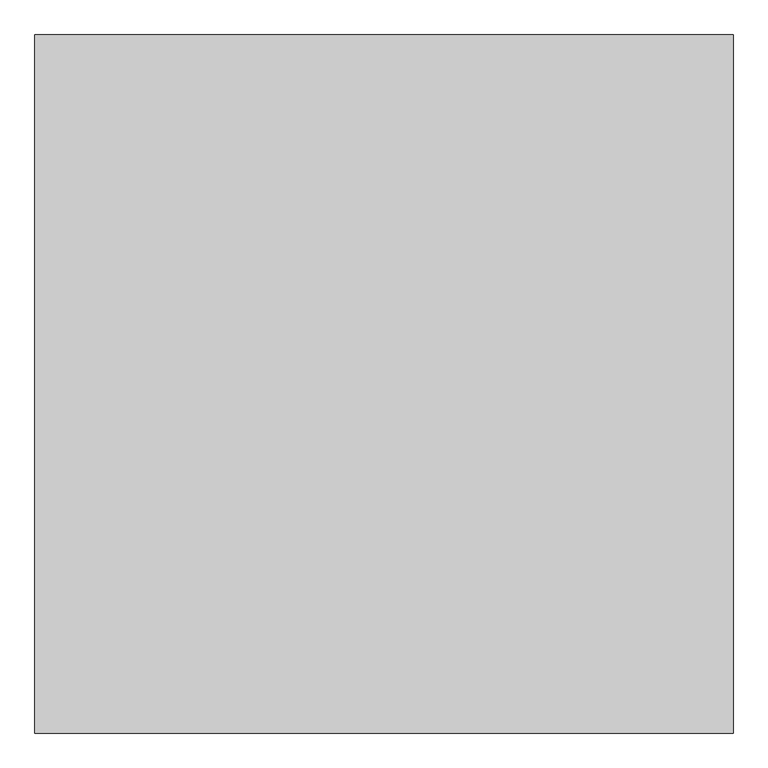
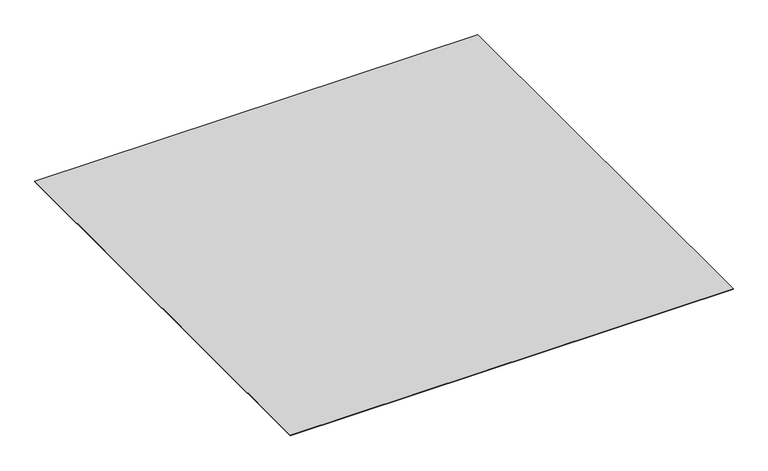
"""IFC4 building model written with IfcOpenShell, lengths in millimetres: proxy geometry."""

from ifc_helpers import new_model, si_unit, origin, origin_with_axes, place, context, project, spatial, polyline, outline, extrude, source, transform, mapped, element, save


def generic_models_32bde78f(model_context):
    return source(origin(), model_context, "Body", "SweptSolid", [
        extrude(outline(polyline([(7403.0762132, -37187.355679), (7403.0762132, -38187.355679), (6403.0762132, -38187.355679), (6403.0762132, -37187.355679), (7403.0762132, -37187.355679)])), origin_with_axes(), (0.0, 0.0, 1.0), 1.2),
    ])


if __name__ == "__main__":
    model = new_model("IFC4")
    model_context = context("Model", 3, world=origin())
    ifc_project = project(units=[si_unit("LENGTHUNIT", "METRE", prefix="MILLI")], contexts=[model_context])
    site = spatial("IfcSite", under=ifc_project)
    building = spatial("IfcBuilding", under=site)
    placement = place(None, origin())
    generic_models_shape = generic_models_32bde78f(model_context)
    element("IfcBuildingElementProxy", 1, Name="Generic Models", at=placement, inside=building, context=model_context, shape_type="MappedRepresentation", body=[
        mapped(generic_models_shape, transform((0.0, 0.0, 0.0), x_axis=(1.0, 0.0, 0.0), y_axis=(0.0, 1.0, 0.0), z_axis=(0.0, 0.0, 1.0))),
    ])
    save(model, "model.ifc")
